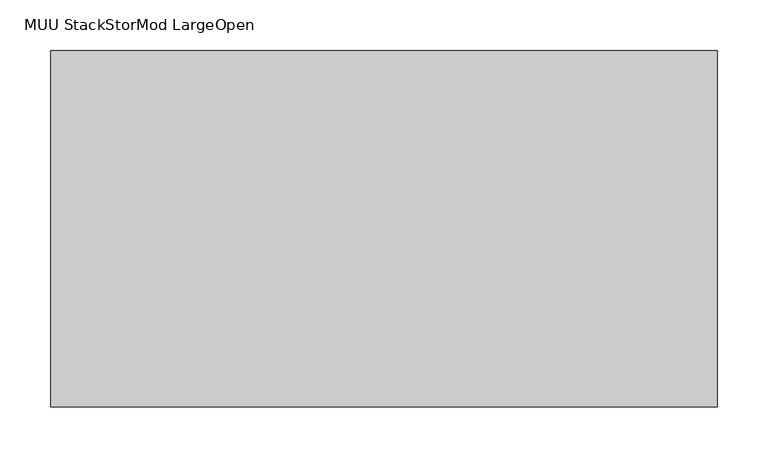
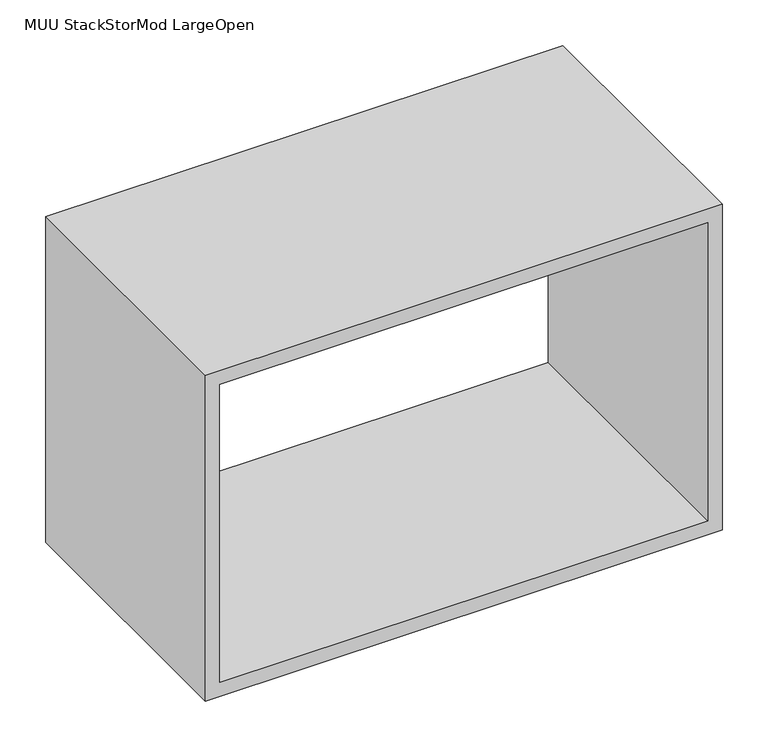
"""IFC4 building model written with IfcOpenShell, lengths in millimetres: furniture geometry, MUU StackStorMod LargeOpen."""

from ifc_helpers import new_model, si_unit, frame, origin, place, context, project, spatial, polyline, outline, extrude, source, transform, mapped, element, save


def muu_stackstormod_largeopen_d81fe18b(model_context):
    return source(origin(), model_context, "Body", "SweptSolid", [
        extrude(outline(polyline([(435.9999859, 654.05), (435.9999859, 0.0), (0.0, 0.0), (0.0, 654.05), (435.9999859, 654.05)]), holes=[polyline([(18.4999995, 18.4999995), (417.4999887, 18.4999995), (417.4999887, 635.5500391), (18.4999995, 635.5500391), (18.4999995, 18.4999995)])]), frame((0.0, -350.0000027, 0.0), z_axis=(0.0, 1.0, 0.0), x_axis=(0.0, 0.0, 1.0)), (0.0, 0.0, 1.0), 350.0000027),
    ])


if __name__ == "__main__":
    model = new_model("IFC4")
    model_context = context("Model", 3, world=origin())
    ifc_project = project(units=[si_unit("LENGTHUNIT", "METRE", prefix="MILLI")], contexts=[model_context])
    site = spatial("IfcSite", under=ifc_project)
    building = spatial("IfcBuilding", under=site)
    placement = place(None, origin())
    muu_stackstormod_largeopen_shape = muu_stackstormod_largeopen_d81fe18b(model_context)
    element("IfcFurniture", 1, ObjectType="MUU StackStorMod LargeOpen", at=placement, inside=building, context=model_context, shape_type="MappedRepresentation", body=[
        mapped(muu_stackstormod_largeopen_shape, transform((0.0, 0.0, 0.0), x_axis=(1.0, 0.0, 0.0), y_axis=(0.0, 1.0, 0.0), z_axis=(0.0, 0.0, 1.0))),
    ])
    save(model, "model.ifc")
